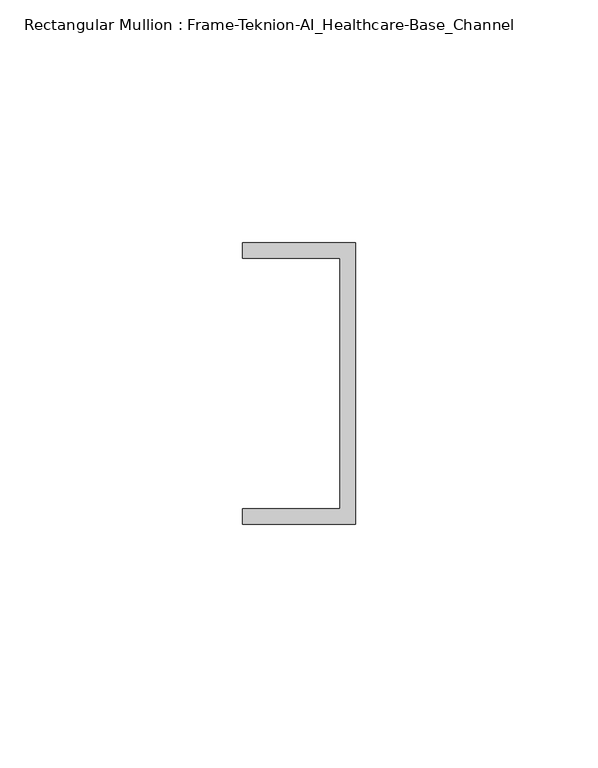
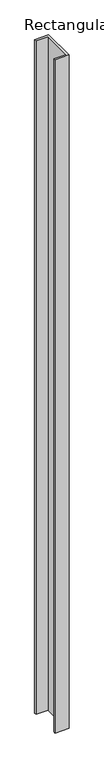
"""IFC4 building model written with IfcOpenShell, lengths in millimetres: member geometry, Rectangular Mullion : Frame-Teknion-AI_Healthcare-Base_Channel."""

import ifcopenshell
import ifcopenshell.guid

model = None  # the IFC model being written
_history = None  # IfcOwnerHistory: only IFC2X3 demands one
_inside = {}  # id of a spatial element -> (the spatial element, [elements in it])
_under = {}  # id of a project, library or spatial element -> (it, [spatial elements below it])
_declared = {}  # id of a project -> (the project, [libraries it declares])
_typed = {}  # id of a type object -> (the type object, [elements of that type])
_made_of = {}  # id of a material, layer set ... -> (it, [elements and type objects made of it])


def new_model(schema):
    """Start an empty IFC model of exactly this schema.

    Asked for "IFC4X3", IfcOpenShell would pick the latest addendum, in which some entities
    have other attributes; the version numbers below select the first issue.
    IFC2X3 requires an IfcOwnerHistory on every rooted entity: one is made here for all.
    """
    global model, _history
    if schema == "IFC4X3":
        model = ifcopenshell.file(schema_version=(4, 3, 0, 0))
    else:
        model = ifcopenshell.file(schema=schema)
    _inside.clear()
    _under.clear()
    _declared.clear()
    _typed.clear()
    _made_of.clear()
    _history = None
    if model.schema == "IFC2X3":
        org = make("IfcOrganization", Name="unknown")
        user = make(
            "IfcPersonAndOrganization",
            ThePerson=make("IfcPerson", FamilyName="unknown"),
            TheOrganization=org,
        )
        app = make(
            "IfcApplication",
            ApplicationDeveloper=org,
            Version="unknown",
            ApplicationFullName="unknown",
            ApplicationIdentifier="unknown",
        )
        _history = make(
            "IfcOwnerHistory",
            OwningUser=user,
            OwningApplication=app,
            ChangeAction="ADDED",
            CreationDate=0,
        )
    return model


def make(cls, **values):
    """One entity of the class cls with the attributes given. An attribute that is None is left unset."""
    return model.create_entity(
        cls, **{name: value for name, value in values.items() if value is not None}
    )


def rooted(cls, **values):
    """An entity with a GlobalId (a new one), such as an element, a storey or a relation."""
    return make(cls, GlobalId=ifcopenshell.guid.new(), OwnerHistory=_history, **values)


def si_unit(unit_type, name, prefix=None):
    """IfcSIUnit, for example si_unit("LENGTHUNIT", "METRE", prefix="MILLI")."""
    return make("IfcSIUnit", UnitType=unit_type, Prefix=prefix, Name=name)


def assignment(units):
    """IfcUnitAssignment: the units of a project."""
    return None if units is None else make("IfcUnitAssignment", Units=units)


def point(xyz):
    """IfcCartesianPoint."""
    return None if xyz is None else make("IfcCartesianPoint", Coordinates=xyz)


def direction(xyz):
    """IfcDirection."""
    return None if xyz is None else make("IfcDirection", DirectionRatios=xyz)


def frame(location, z_axis=None, x_axis=None):
    """IfcAxis2Placement3D, a coordinate frame: its origin and axes. An axis left out is left unset."""
    return make(
        "IfcAxis2Placement3D",
        Location=point(location),
        Axis=direction(z_axis),
        RefDirection=direction(x_axis),
    )


def origin():
    """The frame at (0, 0, 0) with its axes left unset."""
    return frame((0.0, 0.0, 0.0))


def place(relative_to, where):
    """IfcLocalPlacement: puts the frame where relative to a parent placement (None: the world)."""
    return make(
        "IfcLocalPlacement", PlacementRelTo=relative_to, RelativePlacement=where
    )


def context(
    kind, dimensions, precision=None, world=None, true_north=None, identifier=None
):
    """IfcGeometricRepresentationContext, for example the 3D "Model" context."""
    return make(
        "IfcGeometricRepresentationContext",
        ContextIdentifier=identifier,
        ContextType=kind,
        CoordinateSpaceDimension=dimensions,
        Precision=precision,
        WorldCoordinateSystem=world,
        TrueNorth=true_north,
    )


def project(units=None, contexts=None):
    """IfcProject with its units and contexts."""
    return rooted(
        "IfcProject",
        Name="project",
        RepresentationContexts=contexts,
        UnitsInContext=assignment(units),
    )


def spatial(cls, under=None, at=None, **own):
    """A site, building, storey or space (cls), placed at a placement, below another one or the project."""
    s = rooted(cls, ObjectPlacement=at, **own)
    if under is not None:
        _under.setdefault(under.id(), (under, []))[1].append(s)
    return s


def polyline(points):
    """IfcPolyline through the points."""
    return make("IfcPolyline", Points=[point(p) for p in points])


def outline(outer, holes=None, kind="AREA"):
    """IfcArbitraryClosedProfileDef: a profile drawn as a closed curve; with holes, ...WithVoids."""
    if holes is None:
        return make("IfcArbitraryClosedProfileDef", ProfileType=kind, OuterCurve=outer)
    return make(
        "IfcArbitraryProfileDefWithVoids",
        ProfileType=kind,
        OuterCurve=outer,
        InnerCurves=holes,
    )


def extrude(swept, where, along, depth):
    """IfcExtrudedAreaSolid: the profile swept, set in the frame where, extruded along a direction by depth."""
    return make(
        "IfcExtrudedAreaSolid",
        SweptArea=swept,
        Position=where,
        ExtrudedDirection=direction(along),
        Depth=depth,
    )


def shape(context_of_items, identifier, shape_type, items):
    """IfcShapeRepresentation: the items that make up one representation, for example the "Body"."""
    return make(
        "IfcShapeRepresentation",
        ContextOfItems=context_of_items,
        RepresentationIdentifier=identifier,
        RepresentationType=shape_type,
        Items=items,
    )


def source(mapping_origin, context_of_items, identifier, shape_type, items):
    """IfcRepresentationMap: a shape defined once, which mapped items show again and again."""
    return make(
        "IfcRepresentationMap",
        MappingOrigin=mapping_origin,
        MappedRepresentation=shape(context_of_items, identifier, shape_type, items),
    )


def transform(
    local_origin,
    x_axis=None,
    y_axis=None,
    z_axis=None,
    scale=None,
    scale2=None,
    scale3=None,
    uniform=True,
):
    """IfcCartesianTransformationOperator3D, or its non-uniform kind. x_axis, y_axis, z_axis: its Axis1, 2, 3."""
    if uniform:
        return make(
            "IfcCartesianTransformationOperator3D",
            Axis1=direction(x_axis),
            Axis2=direction(y_axis),
            LocalOrigin=point(local_origin),
            Scale=scale,
            Axis3=direction(z_axis),
        )
    return make(
        "IfcCartesianTransformationOperator3DnonUniform",
        Axis1=direction(x_axis),
        Axis2=direction(y_axis),
        LocalOrigin=point(local_origin),
        Scale=scale,
        Axis3=direction(z_axis),
        Scale2=scale2,
        Scale3=scale3,
    )


def mapped(mapping_source, mapping_target):
    """IfcMappedItem: shows the shape of a source again, moved by a transform."""
    return make(
        "IfcMappedItem", MappingSource=mapping_source, MappingTarget=mapping_target
    )


def made_of(thing, what):
    """Note that an element or type object is made of a material, layer set ...; save() writes the relation."""
    if what is not None:
        _made_of.setdefault(what.id(), (what, []))[1].append(thing)
    return thing


def element(
    cls,
    number,
    at=None,
    inside=None,
    cuts=None,
    type_object=None,
    material=None,
    context=None,
    identifier="Body",
    shape_type=None,
    held_by="IfcProductDefinitionShape",
    body=None,
    shapes=None,
    **own,
):
    """One element of the class cls, such as IfcWall. Its Tag is "e" and its number.

    at: its placement. inside: the storey or other place that contains it. cuts: it is an
    opening in that element (IfcRelVoidsElement). A single representation is given by context,
    identifier, shape_type and body (its items); several are given by shapes. held_by: the class
    of the entity that holds the representations. save() writes the other relations.
    """
    e = rooted(cls, Tag="e%d" % number, ObjectPlacement=at, **own)
    if body is not None:
        shapes = [shape(context, identifier, shape_type, body)]
    if shapes is not None:
        e.Representation = make(held_by, Representations=shapes)
    if inside is not None:
        _inside.setdefault(inside.id(), (inside, []))[1].append(e)
    if cuts is not None:
        rooted(
            "IfcRelVoidsElement", RelatingBuildingElement=cuts, RelatedOpeningElement=e
        )
    if type_object is not None:
        _typed.setdefault(type_object.id(), (type_object, []))[1].append(e)
    return made_of(e, material)


def aggregate(whole, parts):
    """IfcRelAggregates: a whole, such as a stair, and the parts it consists of."""
    return rooted("IfcRelAggregates", RelatingObject=whole, RelatedObjects=parts)


def save(model, path):
    """Write the relations noted so far, then the file.

    IfcRelAggregates (storeys below a building ...), IfcRelContainedInSpatialStructure (elements
    in a storey), IfcRelDefinesByType, IfcRelAssociatesMaterial and IfcRelDeclares: one each for
    every whole, place, type object, material and project.
    """
    for whole, parts in _under.values():
        aggregate(whole, parts)
    for where, things in _inside.values():
        rooted(
            "IfcRelContainedInSpatialStructure",
            RelatedElements=things,
            RelatingStructure=where,
        )
    for kind, things in _typed.values():
        rooted("IfcRelDefinesByType", RelatedObjects=things, RelatingType=kind)
    for what, things in _made_of.values():
        rooted("IfcRelAssociatesMaterial", RelatedObjects=things, RelatingMaterial=what)
    for by, libraries in _declared.values():
        rooted("IfcRelDeclares", RelatingContext=by, RelatedDefinitions=libraries)
    model.write(path)


def rectangular_mullion_frame_teknion_ai_healthcare_base_channel_a73d9061(model_context):
    return source(origin(), model_context, "Body", "SweptSolid", [
        extrude(outline(polyline([(0.0, -29.0214844), (-23.3164063, -29.0214844), (-23.3164063, -25.8464844), (-3.175, -25.8464844), (-3.175, 25.8464844), (-23.3164063, 25.8464844), (-23.3164063, 29.0214844), (0.0, 29.0214844), (0.0, -29.0214844)])), frame((0.0, 0.0, -1181.1), z_axis=(0.0, 0.0, 1.0), x_axis=(1.0, 0.0, 0.0)), (0.0, 0.0, 1.0), 1181.1),
    ])


if __name__ == "__main__":
    model = new_model("IFC4")
    model_context = context("Model", 3, world=origin())
    ifc_project = project(units=[si_unit("LENGTHUNIT", "METRE", prefix="MILLI")], contexts=[model_context])
    site = spatial("IfcSite", under=ifc_project)
    building = spatial("IfcBuilding", under=site)
    placement = place(None, origin())
    rectangular_mullion_frame_teknion_ai_healthcare_base_channel_shape = rectangular_mullion_frame_teknion_ai_healthcare_base_channel_a73d9061(model_context)
    element("IfcMember", 1, ObjectType="Rectangular Mullion : Frame-Teknion-AI_Healthcare-Base_Channel", at=placement, inside=building, context=model_context, shape_type="MappedRepresentation", body=[
        mapped(rectangular_mullion_frame_teknion_ai_healthcare_base_channel_shape, transform((0.0, 0.0, 0.0), x_axis=(1.0, 0.0, 0.0), y_axis=(0.0, 1.0, 0.0), z_axis=(0.0, 0.0, 1.0))),
    ])
    save(model, "model.ifc")
